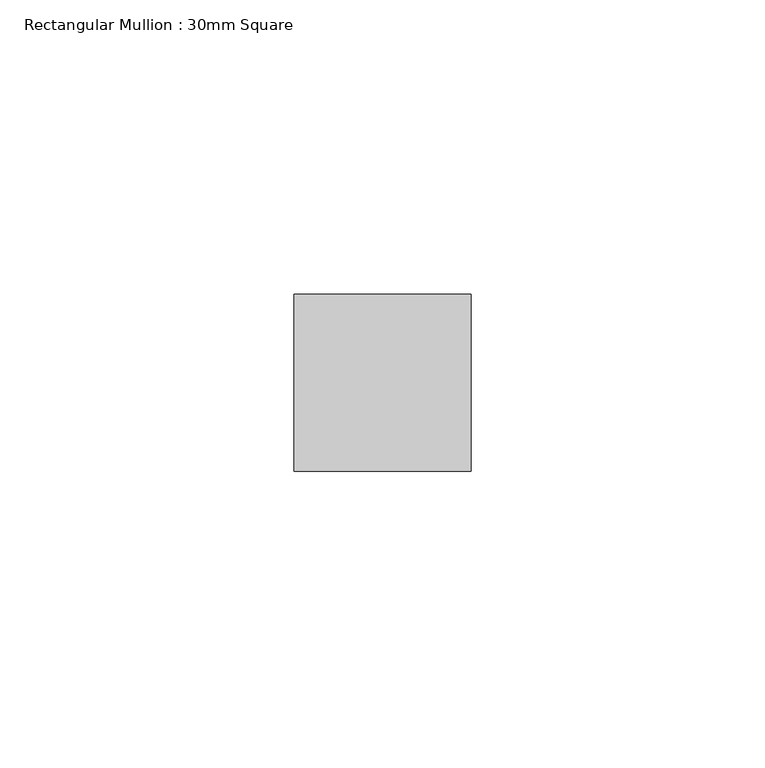
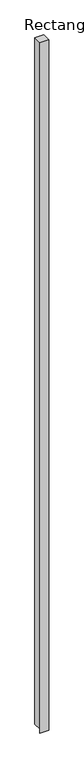
"""IFC4 building model written with IfcOpenShell, lengths in millimetres: member geometry, Rectangular Mullion : 30mm Square."""

from ifc_helpers import new_model, si_unit, frame, origin, place, context, project, spatial, polyline, outline, extrude, source, transform, mapped, element, save


def rectangular_mullion_30mm_square_149af323(model_context):
    return source(origin(), model_context, "Body", "SweptSolid", [
        extrude(outline(polyline([(-15.0, 0.0), (15.0, 0.0), (15.0, -2471.0714173), (-13.8493475, -2468.9315518), (-15.0, -2484.4444766), (-15.0, 0.0)])), frame((-30.0, 0.0, 0.0), z_axis=(1.0, 0.0, 0.0), x_axis=(0.0, 1.0, 0.0)), (0.0, 0.0, 1.0), 30.0),
    ])


if __name__ == "__main__":
    model = new_model("IFC4")
    model_context = context("Model", 3, world=origin())
    ifc_project = project(units=[si_unit("LENGTHUNIT", "METRE", prefix="MILLI")], contexts=[model_context])
    site = spatial("IfcSite", under=ifc_project)
    building = spatial("IfcBuilding", under=site)
    placement = place(None, origin())
    rectangular_mullion_30mm_square_shape = rectangular_mullion_30mm_square_149af323(model_context)
    element("IfcMember", 1, ObjectType="Rectangular Mullion : 30mm Square", at=placement, inside=building, context=model_context, shape_type="MappedRepresentation", body=[
        mapped(rectangular_mullion_30mm_square_shape, transform((0.0, 0.0, 0.0), x_axis=(1.0, 0.0, 0.0), y_axis=(0.0, 1.0, 0.0), z_axis=(0.0, 0.0, 1.0))),
    ])
    save(model, "model.ifc")
